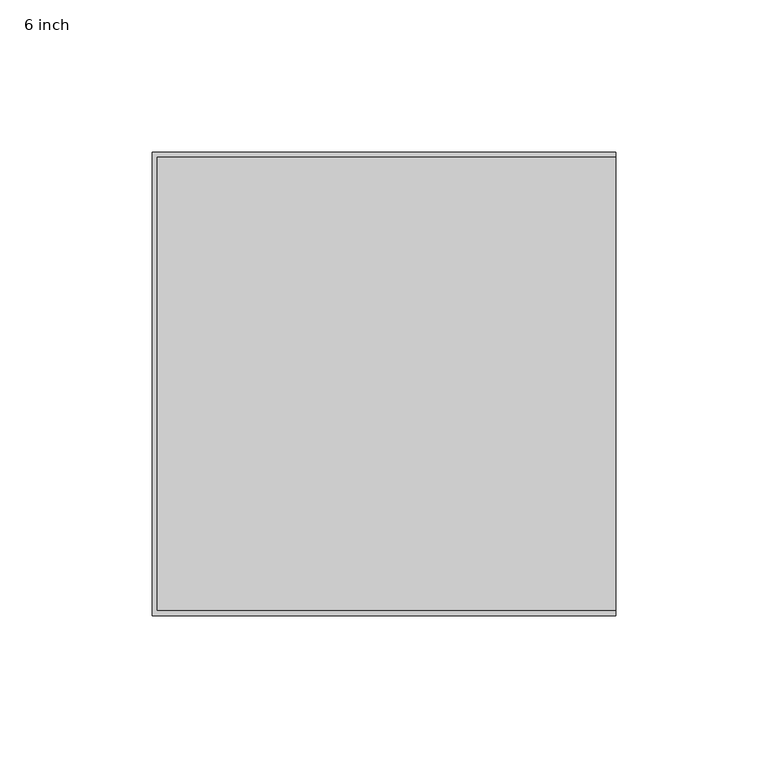
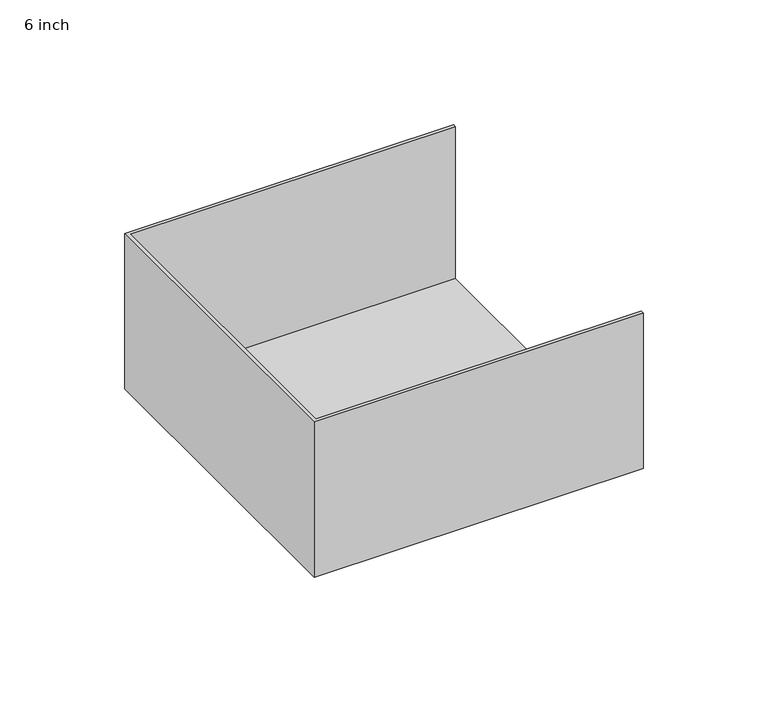
"""IFC4 building model written with IfcOpenShell, lengths in millimetres: proxy geometry, 6 inch."""

import ifcopenshell
import ifcopenshell.guid

model = None  # the IFC model being written
_history = None  # IfcOwnerHistory: only IFC2X3 demands one
_inside = {}  # id of a spatial element -> (the spatial element, [elements in it])
_under = {}  # id of a project, library or spatial element -> (it, [spatial elements below it])
_declared = {}  # id of a project -> (the project, [libraries it declares])
_typed = {}  # id of a type object -> (the type object, [elements of that type])
_made_of = {}  # id of a material, layer set ... -> (it, [elements and type objects made of it])


def new_model(schema):
    """Start an empty IFC model of exactly this schema.

    Asked for "IFC4X3", IfcOpenShell would pick the latest addendum, in which some entities
    have other attributes; the version numbers below select the first issue.
    IFC2X3 requires an IfcOwnerHistory on every rooted entity: one is made here for all.
    """
    global model, _history
    if schema == "IFC4X3":
        model = ifcopenshell.file(schema_version=(4, 3, 0, 0))
    else:
        model = ifcopenshell.file(schema=schema)
    _inside.clear()
    _under.clear()
    _declared.clear()
    _typed.clear()
    _made_of.clear()
    _history = None
    if model.schema == "IFC2X3":
        org = make("IfcOrganization", Name="unknown")
        user = make(
            "IfcPersonAndOrganization",
            ThePerson=make("IfcPerson", FamilyName="unknown"),
            TheOrganization=org,
        )
        app = make(
            "IfcApplication",
            ApplicationDeveloper=org,
            Version="unknown",
            ApplicationFullName="unknown",
            ApplicationIdentifier="unknown",
        )
        _history = make(
            "IfcOwnerHistory",
            OwningUser=user,
            OwningApplication=app,
            ChangeAction="ADDED",
            CreationDate=0,
        )
    return model


def make(cls, **values):
    """One entity of the class cls with the attributes given. An attribute that is None is left unset."""
    return model.create_entity(
        cls, **{name: value for name, value in values.items() if value is not None}
    )


def rooted(cls, **values):
    """An entity with a GlobalId (a new one), such as an element, a storey or a relation."""
    return make(cls, GlobalId=ifcopenshell.guid.new(), OwnerHistory=_history, **values)


def si_unit(unit_type, name, prefix=None):
    """IfcSIUnit, for example si_unit("LENGTHUNIT", "METRE", prefix="MILLI")."""
    return make("IfcSIUnit", UnitType=unit_type, Prefix=prefix, Name=name)


def assignment(units):
    """IfcUnitAssignment: the units of a project."""
    return None if units is None else make("IfcUnitAssignment", Units=units)


def point(xyz):
    """IfcCartesianPoint."""
    return None if xyz is None else make("IfcCartesianPoint", Coordinates=xyz)


def direction(xyz):
    """IfcDirection."""
    return None if xyz is None else make("IfcDirection", DirectionRatios=xyz)


def frame(location, z_axis=None, x_axis=None):
    """IfcAxis2Placement3D, a coordinate frame: its origin and axes. An axis left out is left unset."""
    return make(
        "IfcAxis2Placement3D",
        Location=point(location),
        Axis=direction(z_axis),
        RefDirection=direction(x_axis),
    )


def origin():
    """The frame at (0, 0, 0) with its axes left unset."""
    return frame((0.0, 0.0, 0.0))


def place(relative_to, where):
    """IfcLocalPlacement: puts the frame where relative to a parent placement (None: the world)."""
    return make(
        "IfcLocalPlacement", PlacementRelTo=relative_to, RelativePlacement=where
    )


def context(
    kind, dimensions, precision=None, world=None, true_north=None, identifier=None
):
    """IfcGeometricRepresentationContext, for example the 3D "Model" context."""
    return make(
        "IfcGeometricRepresentationContext",
        ContextIdentifier=identifier,
        ContextType=kind,
        CoordinateSpaceDimension=dimensions,
        Precision=precision,
        WorldCoordinateSystem=world,
        TrueNorth=true_north,
    )


def project(units=None, contexts=None):
    """IfcProject with its units and contexts."""
    return rooted(
        "IfcProject",
        Name="project",
        RepresentationContexts=contexts,
        UnitsInContext=assignment(units),
    )


def spatial(cls, under=None, at=None, **own):
    """A site, building, storey or space (cls), placed at a placement, below another one or the project."""
    s = rooted(cls, ObjectPlacement=at, **own)
    if under is not None:
        _under.setdefault(under.id(), (under, []))[1].append(s)
    return s


def faces_of(points, faces, orient=None, outer=None):
    """IfcFace entities. A face is a list of loops; a loop is a list of indices into points, from 0.

    orient and outer hold one flag for each loop. By default every Orientation is true, the
    first loop of a face is its IfcFaceOuterBound and the others are IfcFaceBound.
    """
    made = []
    for i, loops in enumerate(faces):
        bounds = []
        for j, loop in enumerate(loops):
            is_outer = j == 0 if outer is None else outer[i][j]
            bounds.append(
                make(
                    "IfcFaceOuterBound" if is_outer else "IfcFaceBound",
                    Bound=make("IfcPolyLoop", Polygon=[points[k] for k in loop]),
                    Orientation=True if orient is None else orient[i][j],
                )
            )
        made.append(make("IfcFace", Bounds=bounds))
    return made


def faceted_brep(points, faces, orient=None, outer=None, voids=None):
    """IfcFacetedBrep: a solid bounded by flat faces; with voids (closed shells), ...WithVoids."""
    shared = [point(p) for p in points]
    hull = make("IfcClosedShell", CfsFaces=faces_of(shared, faces, orient, outer))
    if voids is None:
        return make("IfcFacetedBrep", Outer=hull)
    return make(
        "IfcFacetedBrepWithVoids",
        Outer=hull,
        Voids=[
            make(cls, CfsFaces=faces_of(shared, fs, o, b)) for cls, fs, o, b in voids
        ],
    )


def shape(context_of_items, identifier, shape_type, items):
    """IfcShapeRepresentation: the items that make up one representation, for example the "Body"."""
    return make(
        "IfcShapeRepresentation",
        ContextOfItems=context_of_items,
        RepresentationIdentifier=identifier,
        RepresentationType=shape_type,
        Items=items,
    )


def source(mapping_origin, context_of_items, identifier, shape_type, items):
    """IfcRepresentationMap: a shape defined once, which mapped items show again and again."""
    return make(
        "IfcRepresentationMap",
        MappingOrigin=mapping_origin,
        MappedRepresentation=shape(context_of_items, identifier, shape_type, items),
    )


def transform(
    local_origin,
    x_axis=None,
    y_axis=None,
    z_axis=None,
    scale=None,
    scale2=None,
    scale3=None,
    uniform=True,
):
    """IfcCartesianTransformationOperator3D, or its non-uniform kind. x_axis, y_axis, z_axis: its Axis1, 2, 3."""
    if uniform:
        return make(
            "IfcCartesianTransformationOperator3D",
            Axis1=direction(x_axis),
            Axis2=direction(y_axis),
            LocalOrigin=point(local_origin),
            Scale=scale,
            Axis3=direction(z_axis),
        )
    return make(
        "IfcCartesianTransformationOperator3DnonUniform",
        Axis1=direction(x_axis),
        Axis2=direction(y_axis),
        LocalOrigin=point(local_origin),
        Scale=scale,
        Axis3=direction(z_axis),
        Scale2=scale2,
        Scale3=scale3,
    )


def mapped(mapping_source, mapping_target):
    """IfcMappedItem: shows the shape of a source again, moved by a transform."""
    return make(
        "IfcMappedItem", MappingSource=mapping_source, MappingTarget=mapping_target
    )


def made_of(thing, what):
    """Note that an element or type object is made of a material, layer set ...; save() writes the relation."""
    if what is not None:
        _made_of.setdefault(what.id(), (what, []))[1].append(thing)
    return thing


def element(
    cls,
    number,
    at=None,
    inside=None,
    cuts=None,
    type_object=None,
    material=None,
    context=None,
    identifier="Body",
    shape_type=None,
    held_by="IfcProductDefinitionShape",
    body=None,
    shapes=None,
    **own,
):
    """One element of the class cls, such as IfcWall. Its Tag is "e" and its number.

    at: its placement. inside: the storey or other place that contains it. cuts: it is an
    opening in that element (IfcRelVoidsElement). A single representation is given by context,
    identifier, shape_type and body (its items); several are given by shapes. held_by: the class
    of the entity that holds the representations. save() writes the other relations.
    """
    e = rooted(cls, Tag="e%d" % number, ObjectPlacement=at, **own)
    if body is not None:
        shapes = [shape(context, identifier, shape_type, body)]
    if shapes is not None:
        e.Representation = make(held_by, Representations=shapes)
    if inside is not None:
        _inside.setdefault(inside.id(), (inside, []))[1].append(e)
    if cuts is not None:
        rooted(
            "IfcRelVoidsElement", RelatingBuildingElement=cuts, RelatedOpeningElement=e
        )
    if type_object is not None:
        _typed.setdefault(type_object.id(), (type_object, []))[1].append(e)
    return made_of(e, material)


def aggregate(whole, parts):
    """IfcRelAggregates: a whole, such as a stair, and the parts it consists of."""
    return rooted("IfcRelAggregates", RelatingObject=whole, RelatedObjects=parts)


def save(model, path):
    """Write the relations noted so far, then the file.

    IfcRelAggregates (storeys below a building ...), IfcRelContainedInSpatialStructure (elements
    in a storey), IfcRelDefinesByType, IfcRelAssociatesMaterial and IfcRelDeclares: one each for
    every whole, place, type object, material and project.
    """
    for whole, parts in _under.values():
        aggregate(whole, parts)
    for where, things in _inside.values():
        rooted(
            "IfcRelContainedInSpatialStructure",
            RelatedElements=things,
            RelatingStructure=where,
        )
    for kind, things in _typed.values():
        rooted("IfcRelDefinesByType", RelatedObjects=things, RelatingType=kind)
    for what, things in _made_of.values():
        rooted("IfcRelAssociatesMaterial", RelatedObjects=things, RelatingMaterial=what)
    for by, libraries in _declared.values():
        rooted("IfcRelDeclares", RelatingContext=by, RelatedDefinitions=libraries)
    model.write(path)


def proxy_6_inch_ca253dd5(model_context):
    return source(origin(), model_context, "Body", "Brep", [
        faceted_brep([(152.4, 1.5875, 1.5875), (152.4, 150.8125, 1.5875), (1.5875, 150.8125, 1.5875), (1.5875, 1.5875, 1.5875), (152.4, 152.4, 0.0), (152.4, 0.0, 0.0), (0.0, 0.0, 0.0), (0.0, 152.4, 0.0), (0.0, 152.4, 76.2), (152.4, 152.4, 76.2), (0.0, 0.0, 76.2), (152.4, 0.0, 76.2), (152.4, 150.8125, 76.2), (152.4, 1.5875, 76.2), (1.5875, 1.5875, 76.2), (1.5875, 150.8125, 76.2)], [[[0, 1, 2, 3]], [[4, 5, 6, 7]], [[4, 7, 8, 9]], [[8, 7, 6, 10]], [[10, 6, 5, 11]], [[4, 9, 12, 1, 0, 13, 11, 5]], [[10, 11, 13, 14, 15, 12, 9, 8]], [[14, 13, 0, 3]], [[15, 14, 3, 2]], [[12, 15, 2, 1]]]),
    ])


if __name__ == "__main__":
    model = new_model("IFC4")
    model_context = context("Model", 3, world=origin())
    ifc_project = project(units=[si_unit("LENGTHUNIT", "METRE", prefix="MILLI")], contexts=[model_context])
    site = spatial("IfcSite", under=ifc_project)
    building = spatial("IfcBuilding", under=site)
    placement = place(None, origin())
    proxy_6_inch_shape = proxy_6_inch_ca253dd5(model_context)
    element("IfcBuildingElementProxy", 1, Name="6 inch", ObjectType="6 inch", at=placement, inside=building, context=model_context, shape_type="MappedRepresentation", body=[
        mapped(proxy_6_inch_shape, transform((0.0, 0.0, 0.0), x_axis=(1.0, 0.0, 0.0), y_axis=(0.0, 1.0, 0.0), z_axis=(0.0, 0.0, 1.0))),
    ])
    save(model, "model.ifc")
